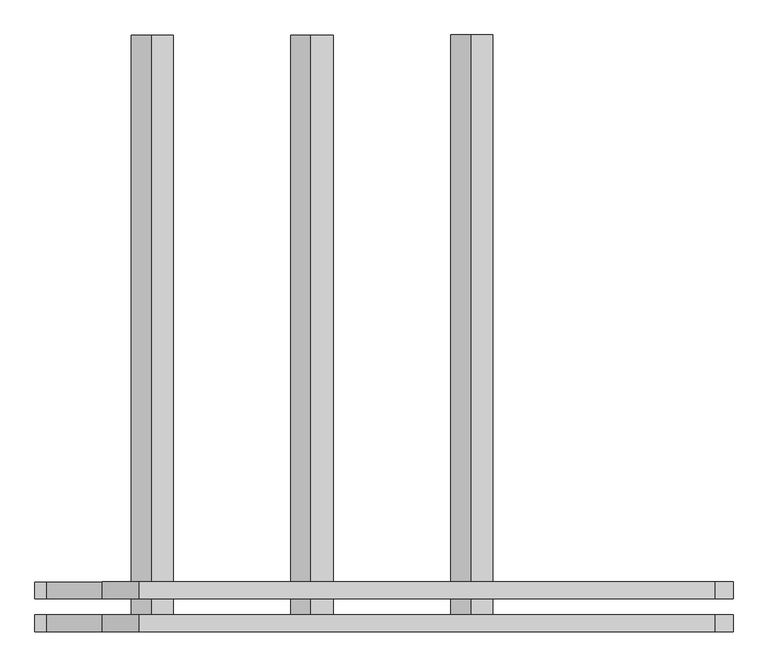
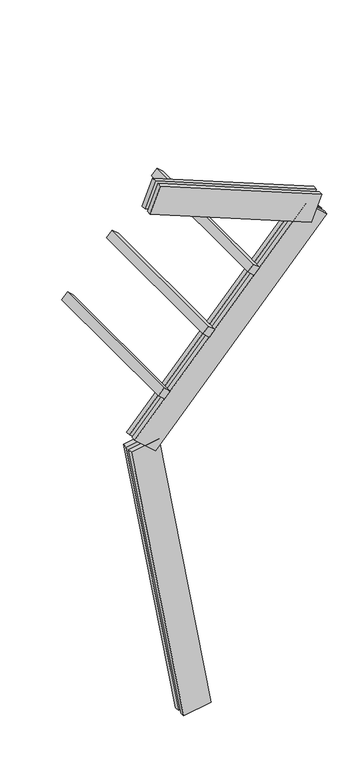
"""IFC4 building model written with IfcOpenShell, lengths in millimetres: proxy geometry."""

from ifc_helpers import new_model, si_unit, frame, origin, place, context, project, spatial, polyline, outline, extrude, source, transform, mapped, element, save


def generic_models_5d305252(model_context):
    return source(origin(), model_context, "Body", "SweptSolid", [
        extrude(outline(polyline([(0.0, 1500.0), (75.0000001, 1500.0), (75.0000001, 0.0), (0.0, 0.0), (0.0, 1500.0)])), frame((-349.8268023, -62.5, 3090.0649846), z_axis=(0.669130606358859, 0.0, 0.7431448254773936), x_axis=(0.7431448254773936, 0.0, -0.669130606358859)), (0.0, 0.0, 1.0), 75.0),
        extrude(outline(polyline([(0.0, 1500.0), (75.0, 1500.0), (75.0, 0.0), (0.0, 0.0), (0.0, 1500.0)])), frame((51.6515616, -62.5, 3535.9518799), z_axis=(0.669130606358859, 0.0, 0.7431448254773936), x_axis=(0.7431448254773936, 0.0, -0.669130606358859)), (0.0, 0.0, 1.0), 75.0),
        extrude(outline(polyline([(0.0, 1500.0), (75.0, 1500.0), (75.0, 0.0), (0.0, 0.0), (0.0, 1500.0)])), frame((453.1299254, -62.5, 3981.8387752), z_axis=(0.669130606358859, 0.0, 0.7431448254773936), x_axis=(0.7431448254773936, 0.0, -0.669130606358859)), (0.0, 0.0, 1.0), 75.0),
        extrude(outline(polyline([(1560.0, 125.0), (1560.0, 82.5), (0.0, 82.5), (0.0, 125.0), (1560.0, 125.0)])), frame((1023.3244907, 62.5, 4252.3160499), z_axis=(0.3746065934159144, 0.0, 0.9271838545667865), x_axis=(-0.9271838545667865, 0.0, 0.3746065934159144)), (0.0, 0.0, 1.0), 250.0),
        extrude(outline(polyline([(0.0, 0.0), (0.0, 42.5), (1560.0, 42.5), (1560.0, 0.0), (0.0, 0.0)])), frame((1023.3244907, 62.5, 4252.3160499), z_axis=(0.3746065934159144, 0.0, 0.9271838545667865), x_axis=(-0.9271838545667865, 0.0, 0.3746065934159144)), (0.0, 0.0, 1.0), 250.0),
        extrude(outline(polyline([(-125.0, 250.0), (-82.5, 250.0), (-82.5, 0.0), (-125.0, 0.0), (-125.0, 250.0)])), frame((-375.9569765, 62.5, 2575.3396073), z_axis=(0.669130606358859, 0.0, 0.7431448254773936), x_axis=(0.0, 1.0, 0.0)), (0.0, 0.0, 1.0), 2300.0),
        extrude(outline(polyline([(0.0, 0.0), (-42.5, 0.0), (-42.5, 250.0), (0.0, 250.0), (0.0, 0.0)])), frame((-375.9569765, 62.5, 2575.3396073), z_axis=(0.669130606358859, 0.0, 0.7431448254773936), x_axis=(0.0, 1.0, 0.0)), (0.0, 0.0, 1.0), 2300.0),
        extrude(outline(polyline([(-125.0, 249.9999999), (-82.5, 249.9999999), (-82.5, 0.0), (-125.0, 0.0), (-125.0, 249.9999999)])), frame((123.1009691, 62.5, 21.7060222), z_axis=(-0.17364817766693158, 0.0, 0.9848077530122079), x_axis=(0.0, 1.0, 0.0)), (0.0, 0.0, 1.0), 2700.0),
        extrude(outline(polyline([(0.0, 0.0), (-42.5, 0.0), (-42.5, 249.9999999), (0.0, 249.9999999), (0.0, 0.0)])), frame((123.1009691, 62.5, 21.7060222), z_axis=(-0.17364817766693158, 0.0, 0.9848077530122079), x_axis=(0.0, 1.0, 0.0)), (0.0, 0.0, 1.0), 2700.0),
    ])


if __name__ == "__main__":
    model = new_model("IFC4")
    model_context = context("Model", 3, world=origin())
    ifc_project = project(units=[si_unit("LENGTHUNIT", "METRE", prefix="MILLI")], contexts=[model_context])
    site = spatial("IfcSite", under=ifc_project)
    building = spatial("IfcBuilding", under=site)
    placement = place(None, origin())
    generic_models_shape = generic_models_5d305252(model_context)
    element("IfcBuildingElementProxy", 1, Name="Generic Models", at=placement, inside=building, context=model_context, shape_type="MappedRepresentation", body=[
        mapped(generic_models_shape, transform((0.0, 0.0, 0.0), x_axis=(1.0, 0.0, 0.0), y_axis=(0.0, 1.0, 0.0), z_axis=(0.0, 0.0, 1.0))),
    ])
    save(model, "model.ifc")
